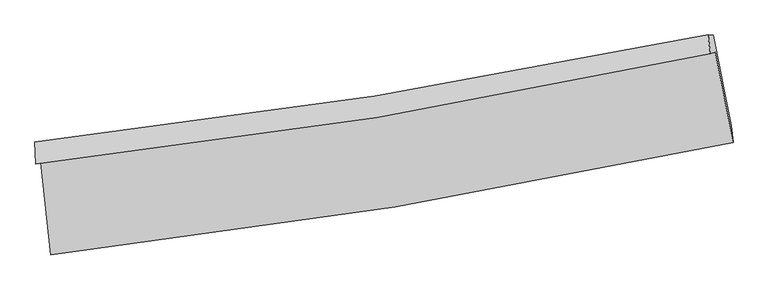
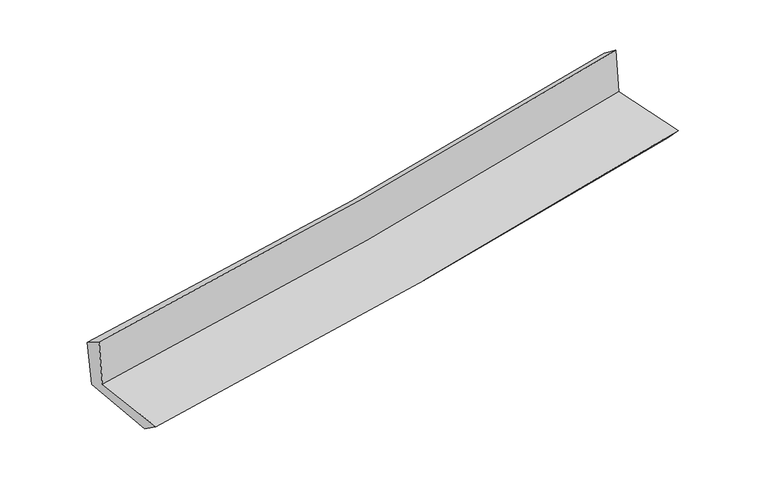
"""IFC4 building model written with IfcOpenShell, lengths in millimetres: proxy geometry."""

from ifc_helpers import new_model, si_unit, frame, origin, place, context, project, spatial, source, transform, mapped, element, save
from ifc_brep_helpers import plane_surface, spline_curve, spline_surface, advanced_brep


def generic_models_81deaa68(model_context):
    return source(origin(), model_context, "Body", "AdvancedBrep", [
        advanced_brep(
        [(-2456.1962562, -1876.2788187, 1658.9412955), (-2384.9766246, -2541.9092474, 1653.4688231), (2521.4412708, -1733.3445999, 2111.3307429), (2392.8102132, -1081.4627464, 2111.394559), (-2491.3650803, -1888.8861468, 2059.1908465), (2358.5205839, -1093.7549005, 2501.638164), (-2499.0612968, -1730.256391, 1958.7945113), (2341.5130679, -958.1175484, 2397.9464864), (-2463.8274709, -1731.0788726, 1573.4753653), (2378.8168357, -958.7846058, 2002.8442456), (-2391.4241885, -2385.9113193, 1542.448752), (2509.6984944, -1609.757124, 1976.9517254)],
        [
            (0, 1),
            (1, 2, spline_curve(3, [(-2384.9766246, -2541.9092474, 1653.4688231), (-1555.772969928, -2447.934670543, 1736.073051879), (-729.799969992, -2333.022843323, 1815.747789268), (905.593900925, -2062.990858985, 1968.297010132), (1715.093532602, -1908.381136902, 2041.242913061), (2521.4412708, -1733.3445999, 2111.3307429)], [4, 2, 4], [0.0, 8.196649610632644, 16.292768449578])),
            (2, 3),
            (3, 0, spline_curve(3, [(2392.8102132, -1081.4627464, 2111.394559), (1596.08540365, -1255.43154485, 2042.197188618), (796.15235139, -1408.372484153, 1970.144439178), (-820.102969245, -1673.836629558, 1819.398036496), (-1636.505406839, -1785.834380908, 1740.633031442), (-2456.1962562, -1876.2788187, 1658.9412955)], [4, 2, 4], [0.0, 8.096118838945355, 16.292768449578])),
            (4, 0),
            (3, 5),
            (5, 4, spline_curve(3, [(2358.5205839, -1093.7549005, 2501.638164), (1561.649304018, -1267.776205768, 2434.107742578), (761.570200042, -1420.769501511, 2363.717181333), (-854.978196051, -1686.33870886, 2216.306212668), (-1671.527646782, -1798.389161551, 2139.21433487), (-2491.3650803, -1888.8861468, 2059.1908465)], [4, 2, 4], [0.0, 8.048033636201115, 16.1960009626194])),
            (6, 4),
            (5, 7),
            (7, 6, spline_curve(3, [(2341.5130679, -958.1175484, 2397.9464864), (1545.622990927, -1124.63956232, 2327.54113256), (746.80391088, -1271.967614371, 2255.975468548), (-866.647685802, -1529.826857041, 2109.620471281), (-1681.35339408, -1639.878418898, 2034.802143492), (-2499.0612968, -1730.256391, 1958.7945113)], [4, 2, 4], [0.0, 8.037037756300077, 16.173872665259783])),
            (8, 6),
            (7, 9),
            (9, 8, spline_curve(3, [(2378.8168357, -958.7846058, 2002.8442456), (1582.577957386, -1125.341537387, 1934.083860202), (783.413027661, -1272.699949126, 1864.150983752), (-830.728623405, -1530.611113456, 1721.057322197), (-1645.778462765, -1640.684124054, 1647.867238662), (-2463.8274709, -1731.0788726, 1573.4753653)], [4, 2, 4], [0.0, 8.027063402903241, 16.153800105362667])),
            (10, 8),
            (9, 11),
            (11, 10, spline_curve(3, [(2509.6984944, -1609.757124, 1976.9517254), (1702.487810113, -1769.201600668, 1907.682960068), (892.989882001, -1913.299545257, 1837.071747542), (-740.66052402, -2172.401097339, 1692.270969036), (-1564.870157095, -2287.021217676, 1618.047856902), (-2391.4241885, -2385.9113193, 1542.448752)], [4, 2, 4], [0.0, 8.075265881497167, 16.250803600253175])),
            (1, 10),
            (11, 2),
        ],
        [
            spline_surface(3, 3, [[(-2456.1962562, -1876.2788187, 1658.9412955), (-1636.505406853, -1785.834381026, 1740.63303134), (-820.102969247, -1673.836629557, 1819.398036402), (796.152351392, -1408.372484154, 1970.144439271), (1596.085403578, -1255.431544892, 2042.197188702), (2392.8102132, -1081.4627464, 2111.394559)], [(-2432.456379008, -2098.155628275, 1657.117138047), (-1609.59459459, -2006.534477532, 1739.113038244), (-790.001969441, -1893.565367529, 1818.181287315), (832.632867887, -1626.578609058, 1969.52862955), (1635.754779858, -1473.081408864, 2041.879096773), (2435.687232374, -1298.756697575, 2111.373286955)], [(-2408.716501792, -2320.032437825, 1655.292980553), (-1582.683782303, -2227.234574013, 1737.593045108), (-759.900969692, -2113.294105486, 1816.964538304), (869.113384325, -1844.784733947, 1968.912819904), (1675.424156215, -1690.731272811, 2041.561004881), (2478.564251626, -1516.050648725, 2111.352014945)], [(-2384.9766246, -2541.9092474, 1653.4688231), (-1555.772970039, -2447.93467052, 1736.073052012), (-729.799969886, -2333.022843458, 1815.747789217), (905.59390082, -2062.990858851, 1968.297010182), (1715.093532495, -1908.381136783, 2041.242912953), (2521.4412708, -1733.3445999, 2111.3307429)]], [4, 4], [4, 2, 4], [0.0, 2.1800095157120545], [0.0, 8.196649610632644, 16.292768449578]),
            spline_surface(3, 3, [[(-2491.3650803, -1888.8861468, 2059.1908465), (-1671.52764666, -1798.389161555, 2139.214334996), (-854.97819603, -1686.338708757, 2216.306212715), (761.570200021, -1420.769501613, 2363.717181287), (1561.649304066, -1267.776205667, 2434.10774271), (2358.5205839, -1093.7549005, 2501.638164)], [(-2479.642138914, -1884.683704097, 1925.774329492), (-1659.853566705, -1794.204234709, 2006.353900436), (-843.353120438, -1682.171349007, 2084.003487281), (773.09758381, -1416.637162442, 2232.526267285), (1573.128003897, -1263.661318733, 2303.470891358), (2369.950460327, -1089.657515791, 2371.556962317)], [(-2467.919197586, -1880.481261403, 1792.357812508), (-1648.179486809, -1790.019307872, 1873.4934659), (-831.728044839, -1678.003989308, 1951.700761836), (784.624967604, -1412.504823324, 2101.335353273), (1584.606703746, -1259.546431827, 2172.834040054), (2381.380336773, -1085.560131109, 2241.475760683)], [(-2456.1962562, -1876.2788187, 1658.9412955), (-1636.505406853, -1785.834381026, 1740.63303134), (-820.102969247, -1673.836629557, 1819.398036402), (796.152351392, -1408.372484154, 1970.144439271), (1596.085403578, -1255.431544892, 2042.197188702), (2392.8102132, -1081.4627464, 2111.394559)]], [4, 4], [4, 2, 4], [0.0, 1.302425273985497], [0.0, 8.147967326418286, 16.1960009626194]),
            spline_surface(3, 3, [[(-2499.0612968, -1730.256391, 1958.7945113), (-1681.353394163, -1639.878418898, 2034.802143471), (-866.647685886, -1529.826856949, 2109.620471258), (746.803910962, -1271.967614462, 2255.975468571), (1545.622990921, -1124.639562244, 2327.541132455), (2341.5130679, -958.1175484, 2397.9464864)], [(-2496.495891306, -1783.132976273, 1992.259956376), (-1678.078145001, -1692.715333123, 2069.606207322), (-862.757855949, -1581.997474215, 2145.182385071), (751.7260073, -1321.568243509, 2291.889372803), (1550.965095328, -1172.351776729, 2363.063335881), (2347.182239925, -1003.329999111, 2432.510378941)], [(-2493.930485794, -1836.009561527, 2025.725401424), (-1674.802895822, -1745.55224733, 2104.410271145), (-858.868025967, -1634.168091491, 2180.744298902), (756.648103684, -1371.168872566, 2327.803277054), (1556.307199659, -1220.063991182, 2398.585539284), (2352.851411875, -1048.542449789, 2467.074271459)], [(-2491.3650803, -1888.8861468, 2059.1908465), (-1671.52764666, -1798.389161555, 2139.214334996), (-854.97819603, -1686.338708757, 2216.306212715), (761.570200021, -1420.769501613, 2363.717181287), (1561.649304066, -1267.776205667, 2434.10774271), (2358.5205839, -1093.7549005, 2501.638164)]], [4, 4], [4, 2, 4], [0.0, 0.6136673365149686], [0.0, 8.136834908959706, 16.173872665259783]),
            spline_surface(3, 3, [[(-2463.8274709, -1731.0788726, 1573.4753653), (-1645.778462674, -1640.684124159, 1647.867238705), (-830.728623485, -1530.611113504, 1721.057322312), (783.41302774, -1272.699949079, 1864.150983638), (1582.57795744, -1125.341537423, 1934.083860103), (2378.8168357, -958.7846058, 2002.8442456)], [(-2475.572079558, -1730.804712074, 1701.915080627), (-1657.636773194, -1640.415555746, 1776.845540288), (-842.701644286, -1530.349694673, 1850.578371964), (771.209988813, -1272.455837561, 1994.759145286), (1570.259635253, -1125.107545666, 2065.236284214), (2366.38224642, -958.562253302, 2134.544992527)], [(-2487.316688142, -1730.530551526, 1830.354795973), (-1669.495083642, -1640.146987312, 1905.823841888), (-854.674665084, -1530.08827578, 1980.099421606), (759.006949889, -1272.21172598, 2125.367306923), (1557.941313108, -1124.873554002, 2196.388708344), (2353.94765718, -958.339900898, 2266.245739473)], [(-2499.0612968, -1730.256391, 1958.7945113), (-1681.353394163, -1639.878418898, 2034.802143471), (-866.647685886, -1529.826856949, 2109.620471258), (746.803910962, -1271.967614462, 2255.975468571), (1545.622990921, -1124.639562244, 2327.541132455), (2341.5130679, -958.1175484, 2397.9464864)]], [4, 4], [4, 2, 4], [0.0, 1.2856157031213602], [0.0, 8.126736702459425, 16.153800105362667]),
            spline_surface(3, 3, [[(-2391.4241885, -2385.9113193, 1542.448752), (-1564.870157128, -2287.021217635, 1618.047856845), (-740.66052411, -2172.401097234, 1692.270968929), (892.98988209, -1913.29954536, 1837.071747647), (1702.487810011, -1769.201600643, 1907.682960056), (2509.6984944, -1609.757124, 1976.9517254)], [(-2415.558615936, -2167.63383707, 1552.790956432), (-1591.839592279, -2071.575519813, 1627.987650797), (-770.683223889, -1958.471102654, 1701.866420078), (856.464263985, -1699.766346597, 1846.098159665), (1662.51785916, -1554.581579586, 1916.483260099), (2466.071274839, -1392.766284616, 1985.582565493)], [(-2439.693043464, -1949.35635483, 1563.133160868), (-1618.809027523, -1856.129821981, 1637.927444753), (-800.705923705, -1744.541108084, 1711.461871164), (819.938645844, -1486.233147842, 1855.12457162), (1622.547908291, -1339.96155848, 1925.28356006), (2422.444055261, -1175.775445184, 1994.213405507)], [(-2463.8274709, -1731.0788726, 1573.4753653), (-1645.778462674, -1640.684124159, 1647.867238705), (-830.728623485, -1530.611113504, 1721.057322312), (783.41302774, -1272.699949079, 1864.150983638), (1582.57795744, -1125.341537423, 1934.083860103), (2378.8168357, -958.7846058, 2002.8442456)]], [4, 4], [4, 2, 4], [0.0, 2.1309354505059006], [0.0, 8.175537718756008, 16.250803600253175]),
            spline_surface(3, 3, [[(-2384.9766246, -2541.9092474, 1653.4688231), (-1555.772970039, -2447.93467052, 1736.073052012), (-729.799969886, -2333.022843458, 1815.747789217), (905.59390082, -2062.990858851, 1968.297010182), (1715.093532495, -1908.381136783, 2041.242912953), (2521.4412708, -1733.3445999, 2111.3307429)], [(-2387.12581258, -2489.909938011, 1616.462132726), (-1558.805365748, -2394.29685287, 1696.731320282), (-733.420154639, -2279.482261381, 1774.588849125), (901.392561231, -2013.093754352, 1924.555256007), (1710.891625015, -1861.987958075, 1996.722928654), (2517.527012015, -1692.148774605, 2066.537737067)], [(-2389.27500052, -2437.910628689, 1579.455442374), (-1561.837761419, -2340.659035285, 1657.389588574), (-737.040339356, -2225.941679311, 1733.429909022), (897.191221679, -1963.196649859, 1880.813501822), (1706.689717491, -1815.594779351, 1952.202944355), (2513.612753185, -1650.952949295, 2021.744731233)], [(-2391.4241885, -2385.9113193, 1542.448752), (-1564.870157128, -2287.021217635, 1618.047856845), (-740.66052411, -2172.401097234, 1692.270968929), (892.98988209, -1913.29954536, 1837.071747647), (1702.487810011, -1769.201600643, 1907.682960056), (2509.6984944, -1609.757124, 1976.9517254)]], [4, 4], [4, 2, 4], [0.0, 0.659748756519354], [0.0, 8.234262121037538, 16.367532158159534]),
            plane_surface(frame((2417.133411, -1239.2035875, 2183.6843206), z_axis=(0.976931473501412, 0.1927617135365472, 0.09191201160247942), x_axis=(-0.09399731715636607, 0.0016808386511295826, 0.9955710316942907))),
            plane_surface(frame((-2447.8084862, -2025.7201326, 1741.0532656), z_axis=(-0.9903377912035092, -0.10521927393794377, -0.09033251743490034), x_axis=(-0.10638496250432312, 0.9942914142292776, 0.008174554599297995))),
        ],
        [
            (0, [[1, 2, 3, 4]]),
            (1, [[5, -4, 6, 7]]),
            (2, [[8, -7, 9, 10]]),
            (3, [[11, -10, 12, 13]]),
            (4, [[14, -13, 15, 16]]),
            (5, [[17, -16, 18, -2]]),
            (6, [[-12, -9, -6, -3, -18, -15]]),
            (7, [[-1, -5, -8, -11, -14, -17]]),
        ],
    ),
    ])


if __name__ == "__main__":
    model = new_model("IFC4")
    model_context = context("Model", 3, world=origin())
    ifc_project = project(units=[si_unit("LENGTHUNIT", "METRE", prefix="MILLI")], contexts=[model_context])
    site = spatial("IfcSite", under=ifc_project)
    building = spatial("IfcBuilding", under=site)
    placement = place(None, origin())
    generic_models_shape = generic_models_81deaa68(model_context)
    element("IfcBuildingElementProxy", 1, Name="Generic Models", at=placement, inside=building, context=model_context, shape_type="MappedRepresentation", body=[
        mapped(generic_models_shape, transform((0.0, 0.0, 0.0), x_axis=(1.0, 0.0, 0.0), y_axis=(0.0, 1.0, 0.0), z_axis=(0.0, 0.0, 1.0))),
    ])
    save(model, "model.ifc")
